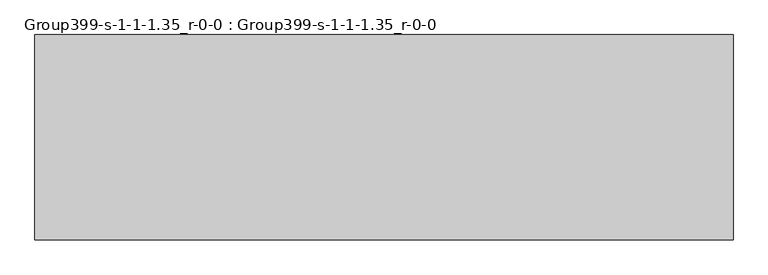
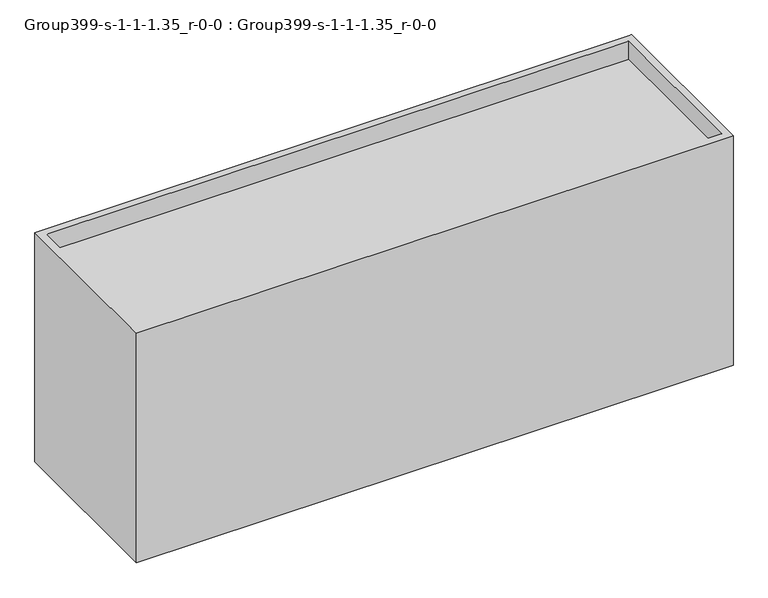
"""IFC4 building model written with IfcOpenShell, lengths in millimetres: geographic element geometry, Group399-s-1-1-1.35_r-0-0 : Group399-s-1-1-1.35_r-0-0."""

from ifc_helpers import new_model, si_unit, origin, place, context, project, spatial, triangles, source, transform, mapped, element, save


def group399_s_1_1_1_35_r_0_0_group399_s_1_1_1_35_r_0_0_8d9804ba(model_context):
    return source(origin(), model_context, "Body", "Tessellation", [
        triangles([(16976.7253876, 7585.0748062, 0.0), (-8792.4749451, 0.0, 0.0), (-8792.4749451, 7585.0748062, 0.0), (16976.7253876, 0.0, 0.0), (16671.9253876, 7280.2748062, 10472.8549347), (16671.9253876, 304.8, 9649.8952835), (16671.9253876, 304.8, 10472.8549347), (16671.9253876, 7280.2748062, 9649.8952835), (-8487.6749451, 7280.2748062, 9649.8952835), (-8487.6749451, 304.8, 10472.8549347), (-8487.6749451, 304.8, 9649.8952835), (-8487.6749451, 7280.2748062, 10472.8549347), (-8792.4749451, 0.0, 10472.8549347), (16976.7253876, 0.0, 10472.8549347), (16976.7253876, 7585.0748062, 10472.8549347), (-8792.4749451, 7585.0748062, 10472.8549347)], [[1, 2, 3], [2, 1, 4], [5, 6, 7], [6, 5, 8], [9, 10, 11], [10, 9, 12], [6, 9, 11], [9, 6, 8], [10, 6, 11], [6, 10, 7], [5, 9, 8], [9, 5, 12], [4, 13, 2], [13, 4, 14], [1, 14, 4], [14, 1, 15], [13, 3, 2], [3, 13, 16], [16, 1, 3], [1, 16, 15], [13, 10, 16], [10, 13, 14], [10, 14, 7], [7, 14, 5], [16, 12, 15], [12, 16, 10], [15, 12, 5], [15, 5, 14]]),
    ])


if __name__ == "__main__":
    model = new_model("IFC4")
    model_context = context("Model", 3, world=origin())
    ifc_project = project(units=[si_unit("LENGTHUNIT", "METRE", prefix="MILLI")], contexts=[model_context])
    site = spatial("IfcSite", under=ifc_project)
    building = spatial("IfcBuilding", under=site)
    placement = place(None, origin())
    group399_s_1_1_1_35_r_0_0_group399_s_1_1_1_35_r_0_0_shape = group399_s_1_1_1_35_r_0_0_group399_s_1_1_1_35_r_0_0_8d9804ba(model_context)
    element("IfcGeographicElement", 1, ObjectType="Group399-s-1-1-1.35_r-0-0 : Group399-s-1-1-1.35_r-0-0", at=placement, inside=building, context=model_context, shape_type="MappedRepresentation", body=[
        mapped(group399_s_1_1_1_35_r_0_0_group399_s_1_1_1_35_r_0_0_shape, transform((0.0, 0.0, 0.0), x_axis=(1.0, 0.0, 0.0), y_axis=(0.0, 1.0, 0.0), z_axis=(0.0, 0.0, 1.0))),
    ])
    save(model, "model.ifc")
